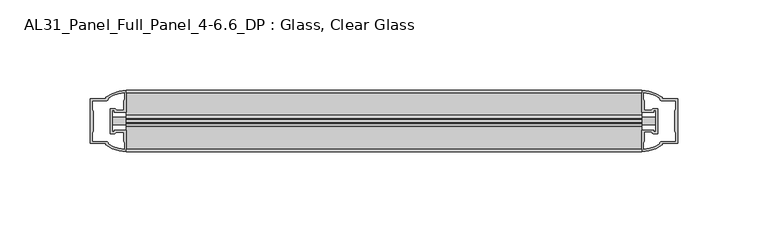
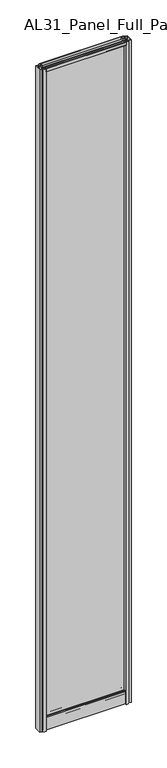
"""IFC4 building model written with IfcOpenShell, lengths in millimetres: plate geometry, AL31_Panel_Full_Panel_4-6.6_DP : Glass, Clear Glass."""

from ifc_helpers import new_model, si_unit, point, frame, frame_2d, origin, origin_with_axes, place, context, project, spatial, polyline, circle_curve, trimmed, segment, composite_curve, outline, extrude, source, transform, mapped, element, save


def al31_panel_full_panel_4_6_6_dp_glass_clear_glass_1c4d01ab(model_context):
    return source(origin(), model_context, "Body", "SweptSolid", [
        extrude(outline(composite_curve([segment(polyline([(18.457, 2480.4980762), (19.007, 2479.5454483)]), True, "CONTINUOUS"), segment(trimmed(circle_curve(frame_2d((19.957, 2477.9)), 1.9), [point((19.007, 2479.5454483))], [point((20.907, 2479.5454483))], True, "CARTESIAN"), True, "CONTINUOUS"), segment(polyline([(20.907, 2479.5454483), (21.457, 2480.4980762)]), True, "CONTINUOUS"), segment(trimmed(circle_curve(frame_2d((19.957, 2477.9)), 3.0), [point((21.457, 2480.4980762))], [point((22.4288414, 2476.2))], False, "CARTESIAN"), True, "CONTINUOUS"), segment(polyline([(22.4288414, 2476.2), (35.557, 2476.2), (35.557, 2485.6), (36.857, 2485.6), (36.857, 2475.1), (26.5594688, 2475.1), (26.5594688, 2474.3), (26.0538782, 2472.3785039), (26.0538782, 2467.7), (24.857, 2467.7), (24.857, 2473.0339746), (25.357, 2473.9), (25.357, 2475.1), (14.357, 2475.1), (14.357, 2473.9), (14.857, 2473.0339746), (14.857, 2467.7), (13.6601218, 2467.7), (13.6601218, 2472.3785039), (13.1545312, 2474.3), (13.1545312, 2475.1), (2.857, 2475.1), (2.857, 2485.6), (4.157, 2485.6), (4.157, 2476.2), (17.4851586, 2476.2)]), True, "CONTINUOUS"), segment(trimmed(circle_curve(frame_2d((19.957, 2477.9)), 3.0), [point((17.4851586, 2476.2))], [point((18.457, 2480.4980762))], False, "CARTESIAN"), True, "CONTINUOUS")], self_intersect=False)), frame((-142.5, 0.0, 0.0), z_axis=(1.0, 0.0, 0.0), x_axis=(0.0, 1.0, 0.0)), (0.0, 0.0, 1.0), 285.0),
        extrude(outline(composite_curve([segment(trimmed(circle_curve(frame_2d((11.457, 34.8)), 1.0), [point((11.457, 35.8))], [point((10.457, 34.8))], True, "CARTESIAN"), True, "CONTINUOUS"), segment(polyline([(10.457, 34.8), (10.457, 33.5), (14.8569697, 33.5), (14.8569697, 32.3), (10.457, 32.3), (10.457, 0.0), (9.257, 0.0), (9.257, 47.3)]), True, "CONTINUOUS"), segment(trimmed(circle_curve(frame_2d((11.257, 47.3)), 2.0), [point((9.257, 47.3))], [point((11.257, 49.3))], False, "CARTESIAN"), True, "CONTINUOUS"), segment(polyline([(11.257, 49.3), (14.857, 49.3), (14.857, 41.9), (24.857, 41.9), (24.857, 49.3), (28.457, 49.3)]), True, "CONTINUOUS"), segment(trimmed(circle_curve(frame_2d((28.457, 47.3)), 2.0), [point((28.457, 49.3))], [point((30.457, 47.3))], False, "CARTESIAN"), True, "CONTINUOUS"), segment(polyline([(30.457, 47.3), (30.457, 0.0), (29.257, 0.0), (29.257, 32.3), (24.8569697, 32.3), (24.8569697, 33.5), (29.257, 33.5), (29.257, 34.8)]), True, "CONTINUOUS"), segment(trimmed(circle_curve(frame_2d((28.257, 34.8)), 1.0), [point((29.257, 34.8))], [point((28.257, 35.8))], True, "CARTESIAN"), True, "CONTINUOUS"), segment(polyline([(28.257, 35.8), (11.457, 35.8)]), True, "CONTINUOUS")], self_intersect=False), holes=[composite_curve([segment(trimmed(circle_curve(frame_2d((25.3594688, 41.8)), 1.0), [point((26.3594688, 41.8))], [point((25.3594688, 40.8))], False, "CARTESIAN"), True, "CONTINUOUS"), segment(polyline([(25.3594688, 40.8), (22.6578965, 40.8), (22.6578965, 39.7274194), (21.6940508, 39.7274194)]), True, "CONTINUOUS"), segment(trimmed(circle_curve(frame_2d((19.857, 38.7)), 2.1048387), [point((21.6940508, 39.7274194))], [point((18.0199492, 39.7274194))], True, "CARTESIAN"), True, "CONTINUOUS"), segment(polyline([(18.0199492, 39.7274194), (17.0561035, 39.7274194), (17.0561035, 40.8), (14.3545312, 40.8)]), True, "CONTINUOUS"), segment(trimmed(circle_curve(frame_2d((14.3545312, 41.8)), 1.0), [point((14.3545312, 40.8))], [point((13.3545312, 41.8))], False, "CARTESIAN"), True, "CONTINUOUS"), segment(polyline([(13.3545312, 41.8), (13.3545312, 42.7)]), True, "CONTINUOUS"), segment(trimmed(circle_curve(frame_2d((14.5545312, 42.7)), 1.2), [point((13.3545312, 42.7))], [point((13.7371816, 43.5786009))], False, "CARTESIAN"), True, "CONTINUOUS"), segment(polyline([(13.7371816, 43.5786009), (13.7371816, 48.2), (11.457, 48.2)]), True, "CONTINUOUS"), segment(trimmed(circle_curve(frame_2d((11.457, 47.2)), 1.0), [point((11.457, 48.2))], [point((10.457, 47.2))], True, "CARTESIAN"), True, "CONTINUOUS"), segment(polyline([(10.457, 47.2), (10.457, 37.04), (17.0561035, 37.04), (17.0561035, 38.0725806), (18.0199492, 38.0725806)]), True, "CONTINUOUS"), segment(trimmed(circle_curve(frame_2d((19.857, 39.1)), 2.1048387), [point((18.0199492, 38.0725806))], [point((21.6940508, 38.0725806))], True, "CARTESIAN"), True, "CONTINUOUS"), segment(polyline([(21.6940508, 38.0725806), (22.6578965, 38.0725806), (22.6578965, 37.04), (29.257, 37.04), (29.257, 47.2)]), True, "CONTINUOUS"), segment(trimmed(circle_curve(frame_2d((28.257, 47.2)), 1.0), [point((29.257, 47.2))], [point((28.257, 48.2))], True, "CARTESIAN"), True, "CONTINUOUS"), segment(polyline([(28.257, 48.2), (25.9768184, 48.2), (25.9768184, 43.7786009)]), True, "CONTINUOUS"), segment(trimmed(circle_curve(frame_2d((25.1594688, 42.9)), 1.2), [point((25.9768184, 43.7786009))], [point((26.3594688, 42.9))], False, "CARTESIAN"), True, "CONTINUOUS"), segment(polyline([(26.3594688, 42.9), (26.3594688, 41.8)]), True, "CONTINUOUS")], self_intersect=False)]), frame((-142.5, 0.0, 0.0), z_axis=(1.0, 0.0, 0.0), x_axis=(0.0, 1.0, 0.0)), (0.0, 0.0, 1.0), 285.0),
        extrude(outline(composite_curve([segment(polyline([(-150.3414214, 25.757), (-150.3414214, 13.957), (-149.1414214, 13.957), (-149.1414214, 14.857), (-142.5, 14.857), (-142.5, 2.8566686)]), True, "CONTINUOUS"), segment(trimmed(circle_curve(frame_2d((-142.1353484, 22.8533441)), 20.0), [point((-142.5, 2.8566686))], [point((-153.8558352, 6.6474751))], False, "CARTESIAN"), True, "CONTINUOUS"), segment(polyline([(-153.8558352, 6.6474751), (-153.8558352, 7.4849343), (-162.5, 7.4849343), (-162.5, 32.1849343), (-153.8558352, 32.1849343), (-153.8558352, 33.0663388)]), True, "CONTINUOUS"), segment(trimmed(circle_curve(frame_2d((-142.1353484, 16.8604698)), 20.0), [point((-153.8558352, 33.0663388))], [point((-142.5, 36.8571453))], False, "CARTESIAN"), True, "CONTINUOUS"), segment(polyline([(-142.5, 36.8571453), (-142.5, 24.857), (-149.1414214, 24.857), (-149.1414214, 25.757), (-150.3414214, 25.757)]), True, "CONTINUOUS")], self_intersect=False), holes=[composite_curve([segment(polyline([(-149.3414214, 12.657), (-151.6414214, 12.657), (-151.6414214, 27.057), (-149.3414214, 27.057)]), True, "CONTINUOUS"), segment(trimmed(circle_curve(frame_2d((-149.3414214, 25.557)), 1.5), [point((-149.3414214, 27.057))], [point((-147.9662696, 26.1561308))], False, "CARTESIAN"), True, "CONTINUOUS"), segment(polyline([(-147.9662696, 26.1561308), (-144.2414214, 26.1561308), (-144.2414214, 30.7520916), (-143.8020815, 31.8127518), (-143.8020815, 35.4628503)]), True, "CONTINUOUS"), segment(trimmed(circle_curve(frame_2d((-142.1353484, 16.8372765)), 18.7), [point((-143.8020815, 35.4628503))], [point((-152.1421262, 32.6345673))], True, "CARTESIAN"), True, "CONTINUOUS"), segment(trimmed(circle_curve(frame_2d((-153.9414214, 32.6849343)), 1.8), [point((-152.1421262, 32.6345673))], [point((-153.9414214, 30.8849343))], False, "CARTESIAN"), True, "CONTINUOUS"), segment(polyline([(-153.9414214, 30.8849343), (-161.1414214, 30.8849343), (-161.1414214, 26.2449987), (-160.6414214, 25.2520916), (-160.6414214, 14.417777), (-161.0828427, 13.3550394), (-161.0828427, 8.7849343), (-153.9414214, 8.7849343)]), True, "CONTINUOUS"), segment(trimmed(circle_curve(frame_2d((-153.9414214, 6.9849343)), 1.8), [point((-153.9414214, 8.7849343))], [point((-152.1421262, 7.0353013))], False, "CARTESIAN"), True, "CONTINUOUS"), segment(trimmed(circle_curve(frame_2d((-142.1353484, 22.8325921)), 18.7), [point((-152.1421262, 7.0353013))], [point((-143.8020815, 4.2070183))], True, "CARTESIAN"), True, "CONTINUOUS"), segment(polyline([(-143.8020815, 4.2070183), (-143.8020815, 7.8571168), (-144.2414214, 8.917777), (-144.2414214, 13.5141269), (-147.9861671, 13.5141269)]), True, "CONTINUOUS"), segment(trimmed(circle_curve(frame_2d((-149.3414214, 14.157)), 1.5), [point((-147.9861671, 13.5141269))], [point((-149.3414214, 12.657))], False, "CARTESIAN"), True, "CONTINUOUS")], self_intersect=False)]), origin_with_axes(), (0.0, 0.0, 1.0), 2485.6),
        extrude(outline(composite_curve([segment(polyline([(150.3414214, 13.957), (150.3414214, 25.757), (149.1414214, 25.757), (149.1414214, 24.857), (142.5, 24.857), (142.5, 36.8573314)]), True, "CONTINUOUS"), segment(trimmed(circle_curve(frame_2d((142.1353484, 16.8606559)), 20.0), [point((142.5, 36.8573314))], [point((153.8558352, 33.0665249))], False, "CARTESIAN"), True, "CONTINUOUS"), segment(polyline([(153.8558352, 33.0665249), (153.8558352, 32.2290657), (162.5, 32.2290657), (162.5, 7.5290657), (153.8558352, 7.5290657), (153.8558352, 6.6476612)]), True, "CONTINUOUS"), segment(trimmed(circle_curve(frame_2d((142.1353484, 22.8535302)), 20.0), [point((153.8558352, 6.6476612))], [point((142.5, 2.8568547))], False, "CARTESIAN"), True, "CONTINUOUS"), segment(polyline([(142.5, 2.8568547), (142.5, 14.857), (149.1414214, 14.857), (149.1414214, 13.957), (150.3414214, 13.957)]), True, "CONTINUOUS")], self_intersect=False), holes=[composite_curve([segment(polyline([(149.3414214, 27.057), (151.6414214, 27.057), (151.6414214, 12.657), (149.3414214, 12.657)]), True, "CONTINUOUS"), segment(trimmed(circle_curve(frame_2d((149.3414214, 14.157)), 1.5), [point((149.3414214, 12.657))], [point((147.9662696, 13.5578692))], False, "CARTESIAN"), True, "CONTINUOUS"), segment(polyline([(147.9662696, 13.5578692), (144.2414214, 13.5578692), (144.2414214, 8.9619084), (143.8020815, 7.9012482), (143.8020815, 4.2511497)]), True, "CONTINUOUS"), segment(trimmed(circle_curve(frame_2d((142.1353484, 22.8767235)), 18.7), [point((143.8020815, 4.2511497))], [point((152.1421262, 7.0794327))], True, "CARTESIAN"), True, "CONTINUOUS"), segment(trimmed(circle_curve(frame_2d((153.9414214, 7.0290657)), 1.8), [point((152.1421262, 7.0794327))], [point((153.9414214, 8.8290657))], False, "CARTESIAN"), True, "CONTINUOUS"), segment(polyline([(153.9414214, 8.8290657), (161.1414214, 8.8290657), (161.1414214, 13.4690013), (160.6414214, 14.4619084), (160.6414214, 25.296223), (161.0828427, 26.3589606), (161.0828427, 30.9290657), (153.9414214, 30.9290657)]), True, "CONTINUOUS"), segment(trimmed(circle_curve(frame_2d((153.9414214, 32.7290657)), 1.8), [point((153.9414214, 30.9290657))], [point((152.1421262, 32.6786987))], False, "CARTESIAN"), True, "CONTINUOUS"), segment(trimmed(circle_curve(frame_2d((142.1353484, 16.8814079)), 18.7), [point((152.1421262, 32.6786987))], [point((143.8020815, 35.5069817))], True, "CARTESIAN"), True, "CONTINUOUS"), segment(polyline([(143.8020815, 35.5069817), (143.8020815, 31.8568832), (144.2414214, 30.796223), (144.2414214, 26.1998731), (147.9861671, 26.1998731)]), True, "CONTINUOUS"), segment(trimmed(circle_curve(frame_2d((149.3414214, 25.557)), 1.5), [point((147.9861671, 26.1998731))], [point((149.3414214, 27.057))], False, "CARTESIAN"), True, "CONTINUOUS")], self_intersect=False)]), origin_with_axes(), (0.0, 0.0, 1.0), 2485.6),
        extrude(outline(polyline([(150.3414214, 17.857), (-150.3414214, 17.857), (-150.3414214, 21.857), (150.3414214, 21.857), (150.3414214, 17.857)])), frame((0.0, 0.0, 41.9), z_axis=(0.0, 0.0, 1.0), x_axis=(1.0, 0.0, 0.0)), (0.0, 0.0, 1.0), 2433.2),
    ])


if __name__ == "__main__":
    model = new_model("IFC4")
    model_context = context("Model", 3, world=origin())
    ifc_project = project(units=[si_unit("LENGTHUNIT", "METRE", prefix="MILLI")], contexts=[model_context])
    site = spatial("IfcSite", under=ifc_project)
    building = spatial("IfcBuilding", under=site)
    placement = place(None, origin())
    al31_panel_full_panel_4_6_6_dp_glass_clear_glass_shape = al31_panel_full_panel_4_6_6_dp_glass_clear_glass_1c4d01ab(model_context)
    element("IfcPlate", 1, ObjectType="AL31_Panel_Full_Panel_4-6.6_DP : Glass, Clear Glass", at=placement, inside=building, context=model_context, shape_type="MappedRepresentation", body=[
        mapped(al31_panel_full_panel_4_6_6_dp_glass_clear_glass_shape, transform((0.0, 0.0, 0.0), x_axis=(1.0, 0.0, 0.0), y_axis=(0.0, 1.0, 0.0), z_axis=(0.0, 0.0, 1.0))),
    ])
    save(model, "model.ifc")
